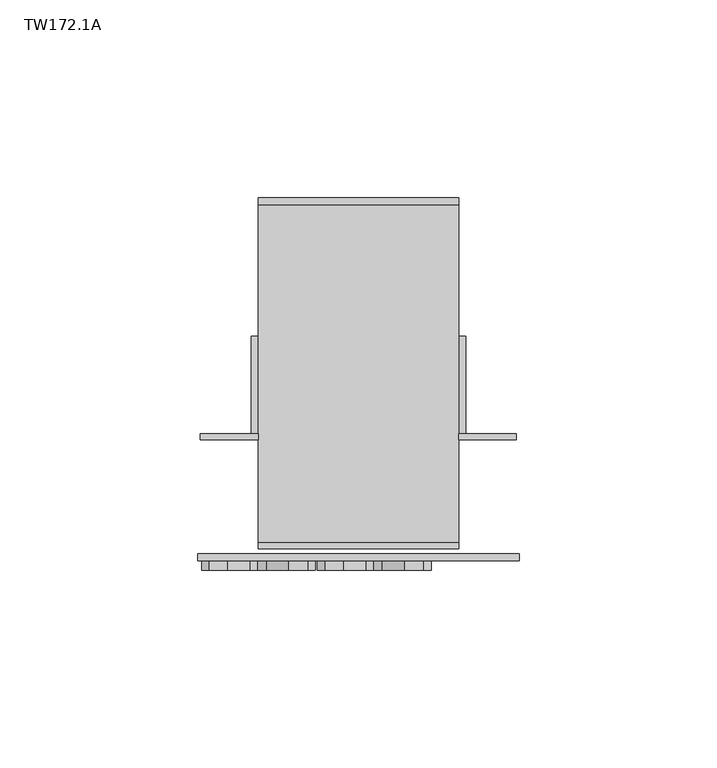
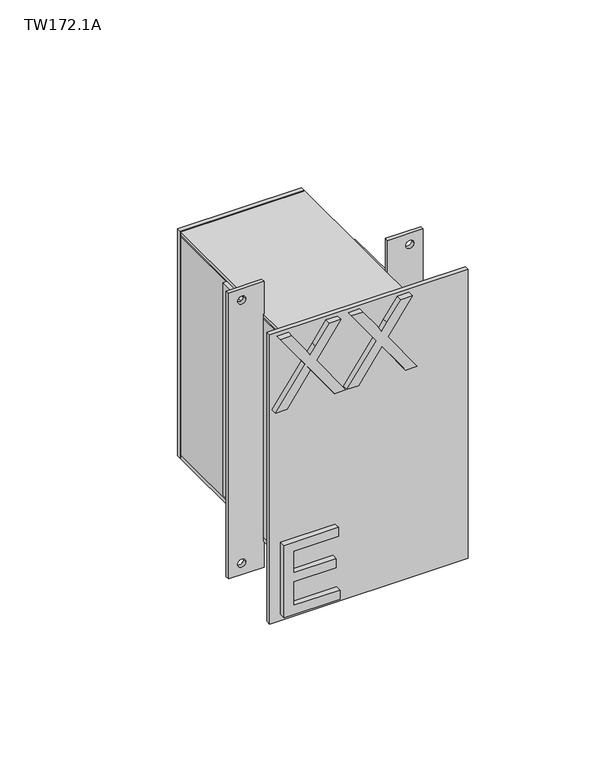
"""IFC4 building model written with IfcOpenShell, lengths in millimetres: furniture geometry, TW172.1A."""

from ifc_helpers import new_model, si_unit, point, frame, frame_2d, origin, place, context, project, spatial, polyline, circle_curve, trimmed, segment, composite_curve, outline, extrude, source, transform, mapped, element, save


def tw172_1a_6475c3e5(model_context):
    return source(origin(), model_context, "Body", "SweptSolid", [
        extrude(outline(polyline([(1133.066524, -17.5680099), (1133.066524, 5.3896824), (1136.9742163, 5.3896824), (1136.9742163, -13.6603176), (1147.2319087, -13.6603176), (1147.2319087, 3.9242978), (1151.139601, 3.9242978), (1151.139601, -13.6603176), (1160.4203702, -13.6603176), (1160.4203702, 4.9012209), (1164.3280625, 4.9012209), (1164.3280625, -17.5680099), (1133.066524, -17.5680099)])), frame((0.0, -30.559375, 0.0), z_axis=(0.0, 1.0, 0.0), x_axis=(0.0, 0.0, 1.0)), (0.0, 0.0, 1.0), 2.38125),
        extrude(outline(polyline([(1223.0288799, -20.9872407), (1223.0288799, -16.2323729), (1234.1261154, -8.3940916), (1236.7058029, -6.5547287), (1234.3550818, -4.8832743), (1223.0288799, 3.1458122), (1223.0288799, 7.8319901), (1240.0181827, -4.2192719), (1254.2904183, 5.8781439), (1254.2904183, 1.1232761), (1246.3376539, -4.5016638), (1243.1626539, -6.7455339), (1246.2842284, -8.661219), (1254.2904183, -14.3472166), (1254.2904183, -19.0333945), (1240.063976, -8.9359787), (1223.0288799, -20.9872407)])), frame((0.0, -30.559375, 0.0), z_axis=(0.0, 1.0, 0.0), x_axis=(0.0, 0.0, 1.0)), (0.0, 0.0, 1.0), 2.38125),
        extrude(outline(polyline([(1223.0288799, 8.3204516), (1223.0288799, 13.0753194), (1234.1261154, 20.9136007), (1236.7058029, 22.7529636), (1234.3550818, 24.424418), (1223.0288799, 32.4535045), (1223.0288799, 37.1396824), (1240.0181827, 25.0884204), (1254.2904183, 35.1858362), (1254.2904183, 30.4309685), (1246.3376539, 24.8060286), (1243.1626539, 22.5621584), (1246.2842284, 20.6464733), (1254.2904183, 14.9604757), (1254.2904183, 10.2742978), (1240.063976, 20.3717136), (1223.0288799, 8.3204516)])), frame((0.0, -30.559375, 0.0), z_axis=(0.0, 1.0, 0.0), x_axis=(0.0, 0.0, 1.0)), (0.0, 0.0, 1.0), 2.38125),
        extrude(outline(polyline([(44.1377049, -25.1023438), (-6.6622951, -25.1023438), (-6.6622951, -23.5148437), (44.1377049, -23.5148437), (44.1377049, -25.1023438)])), frame((0.0, 0.0, 1228.0265), z_axis=(0.0, 0.0, 1.0), x_axis=(1.0, 0.0, 0.0)), (0.0, 0.0, 1.0), 12.7),
        extrude(outline(polyline([(44.1377049, -25.1023438), (-6.6622951, -25.1023438), (-6.6622951, -23.5148437), (44.1377049, -23.5148437), (44.1377049, -25.1023438)])), frame((0.0, 0.0, 1142.3015), z_axis=(0.0, 0.0, 1.0), x_axis=(1.0, 0.0, 0.0)), (0.0, 0.0, 1.0), 12.7),
        extrude(outline(polyline([(44.1377049, 63.7976562), (44.1377049, 62.0117187), (-6.6622951, 62.0117187), (-6.6622951, 63.7976562), (44.1377049, 63.7976562)])), frame((0.0, 0.0, 1142.3015), z_axis=(0.0, 0.0, 1.0), x_axis=(1.0, 0.0, 0.0)), (0.0, 0.0, 1.0), 98.425),
        extrude(outline(polyline([(-4.8763576, -23.5148437), (-6.6622951, -23.5148437), (-6.6622951, 62.0117188), (-4.8763576, 62.0117187), (-4.8763576, -23.5148437)])), frame((0.0, 0.0, 1144.0874375), z_axis=(0.0, 0.0, 1.0), x_axis=(1.0, 0.0, 0.0)), (0.0, 0.0, 1.0), 94.853125),
        extrude(outline(polyline([(44.1377049, -23.5148437), (42.3517674, -23.5148437), (42.3517674, 62.0117187), (44.1377049, 62.0117187), (44.1377049, -23.5148437)])), frame((0.0, 0.0, 1144.0874375), z_axis=(0.0, 0.0, 1.0), x_axis=(1.0, 0.0, 0.0)), (0.0, 0.0, 1.0), 94.853125),
        extrude(outline(polyline([(44.1377049, -23.5148437), (-6.6622951, -23.5148437), (-6.6622951, 62.0117188), (44.1377049, 62.0117187), (44.1377049, -23.5148437)])), frame((0.0, 0.0, 1238.9405625), z_axis=(0.0, 0.0, 1.0), x_axis=(1.0, 0.0, 0.0)), (0.0, 0.0, 1.0), 1.7859375),
        extrude(outline(polyline([(44.1377049, -23.5148437), (-6.6622951, -23.5148437), (-6.6622951, 62.0117188), (44.1377049, 62.0117187), (44.1377049, -23.5148437)])), frame((0.0, 0.0, 1142.3015), z_axis=(0.0, 0.0, 1.0), x_axis=(1.0, 0.0, 0.0)), (0.0, 0.0, 1.0), 1.7859375),
        extrude(outline(polyline([(-6.6622951, 28.6742188), (-6.6622951, 4.0679688), (-8.4482326, 4.0679688), (-8.4482326, 28.6742188), (-6.6622951, 28.6742188)])), frame((0.0, 0.0, 1147.064), z_axis=(0.0, 0.0, 1.0), x_axis=(1.0, 0.0, 0.0)), (0.0, 0.0, 1.0), 92.1742187),
        extrude(outline(polyline([(45.9236424, 28.6742188), (45.9236424, 4.0679688), (44.1377049, 4.0679688), (44.1377049, 28.6742188), (45.9236424, 28.6742188)])), frame((0.0, 0.0, 1147.064), z_axis=(0.0, 0.0, 1.0), x_axis=(1.0, 0.0, 0.0)), (0.0, 0.0, 1.0), 92.1742187),
        extrude(outline(polyline([(1255.1132187, -6.6622951), (1255.1132187, -21.2474513), (1131.189, -21.2474513), (1131.189, -6.6622951), (1255.1132187, -6.6622951)]), holes=[composite_curve([segment(trimmed(circle_curve(frame_2d((1250.2515, -15.7904201)), 1.6867188), [point((1250.2515, -17.4771388))], [point((1250.2515, -14.1037013))], True, "CARTESIAN"), True, "CONTINUOUS"), segment(trimmed(circle_curve(frame_2d((1250.2515, -15.7904201)), 1.6867188), [point((1250.2515, -14.1037013))], [point((1250.2515, -17.4771388))], True, "CARTESIAN"), True, "CONTINUOUS")], self_intersect=False), composite_curve([segment(trimmed(circle_curve(frame_2d((1136.0507187, -15.7904201)), 1.6867188), [point((1136.0507187, -17.4771388))], [point((1136.0507187, -14.1037013))], True, "CARTESIAN"), True, "CONTINUOUS"), segment(trimmed(circle_curve(frame_2d((1136.0507187, -15.7904201)), 1.6867188), [point((1136.0507187, -14.1037013))], [point((1136.0507187, -17.4771388))], True, "CARTESIAN"), True, "CONTINUOUS")], self_intersect=False)]), frame((0.0, 2.4804688, 0.0), z_axis=(0.0, 1.0, 0.0), x_axis=(0.0, 0.0, 1.0)), (0.0, 0.0, 1.0), 1.5875),
        extrude(outline(polyline([(1255.1132187, 58.7228612), (1255.1132187, 44.1377049), (1131.189, 44.1377049), (1131.189, 58.7228612), (1255.1132187, 58.7228612)]), holes=[composite_curve([segment(trimmed(circle_curve(frame_2d((1250.2515, 53.2658299)), 1.6867188), [point((1250.2515, 51.5791112))], [point((1250.2515, 54.9525487))], True, "CARTESIAN"), True, "CONTINUOUS"), segment(trimmed(circle_curve(frame_2d((1250.2515, 53.2658299)), 1.6867188), [point((1250.2515, 54.9525487))], [point((1250.2515, 51.5791112))], True, "CARTESIAN"), True, "CONTINUOUS")], self_intersect=False), composite_curve([segment(trimmed(circle_curve(frame_2d((1136.0507187, 53.2658299)), 1.6867188), [point((1136.0507187, 51.5791112))], [point((1136.0507187, 54.9525487))], True, "CARTESIAN"), True, "CONTINUOUS"), segment(trimmed(circle_curve(frame_2d((1136.0507187, 53.2658299)), 1.6867188), [point((1136.0507187, 54.9525487))], [point((1136.0507187, 51.5791112))], True, "CARTESIAN"), True, "CONTINUOUS")], self_intersect=False)]), frame((0.0, 2.4804688, 0.0), z_axis=(0.0, 1.0, 0.0), x_axis=(0.0, 0.0, 1.0)), (0.0, 0.0, 1.0), 1.5875),
        extrude(outline(polyline([(59.4670018, -28.178125), (-21.991592, -28.178125), (-21.991592, -26.2929687), (59.4670018, -26.2929687), (59.4670018, -28.178125)])), frame((0.0, 0.0, 1130.39525), z_axis=(0.0, 0.0, 1.0), x_axis=(1.0, 0.0, 0.0)), (0.0, 0.0, 1.0), 125.5117188),
    ])


if __name__ == "__main__":
    model = new_model("IFC4")
    model_context = context("Model", 3, world=origin())
    ifc_project = project(units=[si_unit("LENGTHUNIT", "METRE", prefix="MILLI")], contexts=[model_context])
    site = spatial("IfcSite", under=ifc_project)
    building = spatial("IfcBuilding", under=site)
    placement = place(None, origin())
    tw172_1a_shape = tw172_1a_6475c3e5(model_context)
    element("IfcFurniture", 1, ObjectType="TW172.1A", at=placement, inside=building, context=model_context, shape_type="MappedRepresentation", body=[
        mapped(tw172_1a_shape, transform((0.0, 0.0, 0.0), x_axis=(1.0, 0.0, 0.0), y_axis=(0.0, 1.0, 0.0), z_axis=(0.0, 0.0, 1.0))),
    ])
    save(model, "model.ifc")
